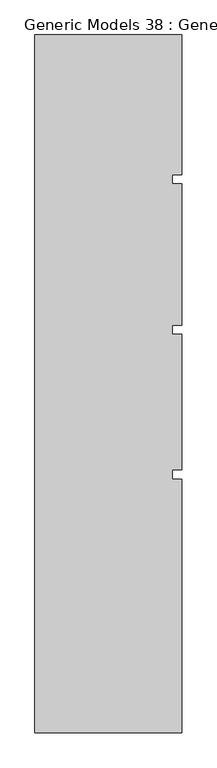
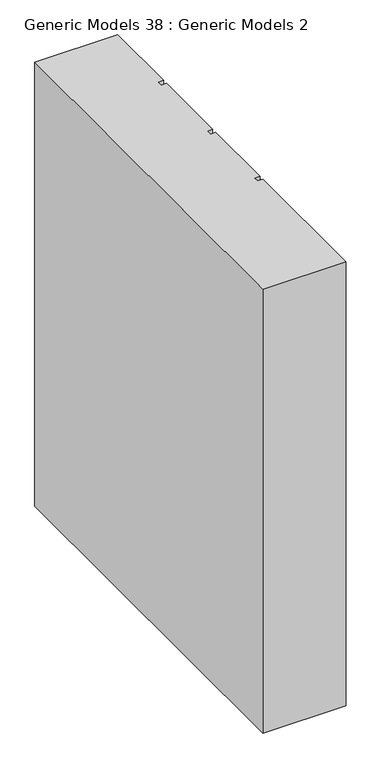
"""IFC4 building model written with IfcOpenShell, lengths in millimetres: proxy geometry, Generic Models 38 : Generic Models 2."""

from ifc_helpers import new_model, si_unit, frame, origin, place, context, project, spatial, polyline, outline, extrude, source, transform, mapped, element, save


def generic_models_38_generic_models_2_e516ac33(model_context):
    return source(origin(), model_context, "Body", "SweptSolid", [
        extrude(outline(polyline([(6158.9891931, -239.4418036), (6646.0314083, -239.4418036), (6646.0314083, -703.851216), (6614.3889077, -703.851216), (6614.3889077, -733.8846489), (6646.0314083, -733.8846489), (6646.0314083, -1203.851216), (6614.3889077, -1203.851216), (6614.3889077, -1233.8846489), (6646.0314083, -1233.8846489), (6646.0314083, -1683.851216), (6614.3889077, -1683.851216), (6614.3889077, -1713.8846489), (6646.0314083, -1713.8846489), (6646.0314083, -2556.8137679), (6158.9891931, -2556.8137679), (6158.9891931, -239.4418036)])), frame((0.0, 0.0, 15000.0), z_axis=(0.0, 0.0, 1.0), x_axis=(1.0, 0.0, 0.0)), (0.0, 0.0, 1.0), 2751.0079295),
    ])


if __name__ == "__main__":
    model = new_model("IFC4")
    model_context = context("Model", 3, world=origin())
    ifc_project = project(units=[si_unit("LENGTHUNIT", "METRE", prefix="MILLI")], contexts=[model_context])
    site = spatial("IfcSite", under=ifc_project)
    building = spatial("IfcBuilding", under=site)
    placement = place(None, origin())
    generic_models_38_generic_models_2_shape = generic_models_38_generic_models_2_e516ac33(model_context)
    element("IfcBuildingElementProxy", 1, Name="Generic Models 38 : Generic Models 2", ObjectType="Generic Models 38 : Generic Models 2", at=placement, inside=building, context=model_context, shape_type="MappedRepresentation", body=[
        mapped(generic_models_38_generic_models_2_shape, transform((0.0, 0.0, 0.0), x_axis=(1.0, 0.0, 0.0), y_axis=(0.0, 1.0, 0.0), z_axis=(0.0, 0.0, 1.0))),
    ])
    save(model, "model.ifc")
